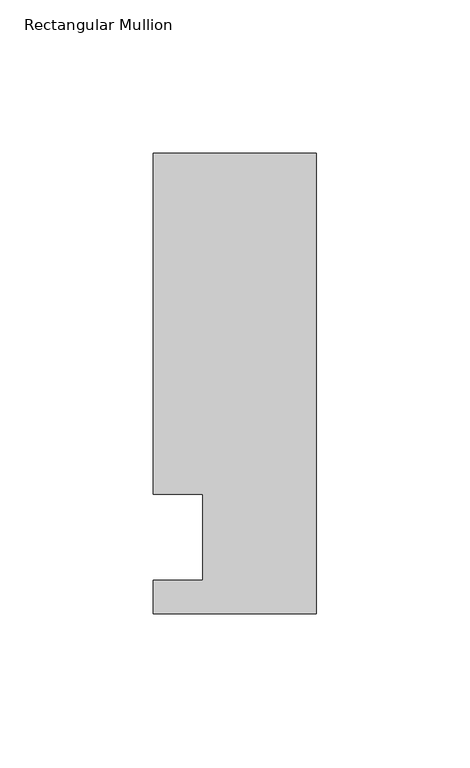
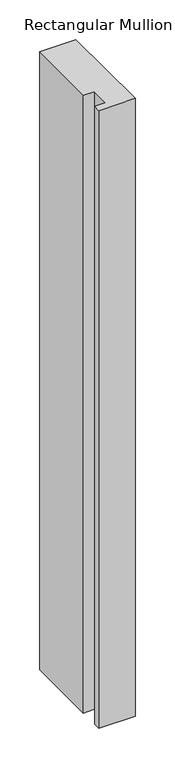
"""IFC4 building model written with IfcOpenShell, lengths in millimetres: member geometry, Rectangular Mullion."""

from ifc_helpers import new_model, si_unit, frame, origin, place, context, project, spatial, polyline, outline, extrude, source, transform, mapped, element, save


def rectangular_mullion_4259d01a(model_context):
    return source(origin(), model_context, "Body", "SweptSolid", [
        extrude(outline(polyline([(-37.0, 14.0), (-53.0, 14.0), (-53.0, 125.0), (0.0, 125.0), (0.0, -25.0), (-53.0, -25.0), (-53.0, -14.0), (-37.0, -14.0), (-37.0, 14.0)])), frame((0.0, 0.0, -953.6623342), z_axis=(0.0, 0.0, 1.0), x_axis=(1.0, 0.0, 0.0)), (0.0, 0.0, 1.0), 953.6623342),
    ])


if __name__ == "__main__":
    model = new_model("IFC4")
    model_context = context("Model", 3, world=origin())
    ifc_project = project(units=[si_unit("LENGTHUNIT", "METRE", prefix="MILLI")], contexts=[model_context])
    site = spatial("IfcSite", under=ifc_project)
    building = spatial("IfcBuilding", under=site)
    placement = place(None, origin())
    rectangular_mullion_shape = rectangular_mullion_4259d01a(model_context)
    element("IfcMember", 1, ObjectType="Rectangular Mullion", at=placement, inside=building, context=model_context, shape_type="MappedRepresentation", body=[
        mapped(rectangular_mullion_shape, transform((0.0, 0.0, 0.0), x_axis=(1.0, 0.0, 0.0), y_axis=(0.0, 1.0, 0.0), z_axis=(0.0, 0.0, 1.0))),
    ])
    save(model, "model.ifc")
